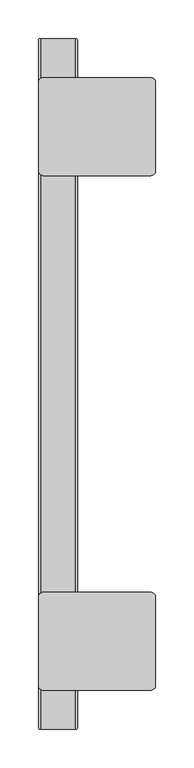
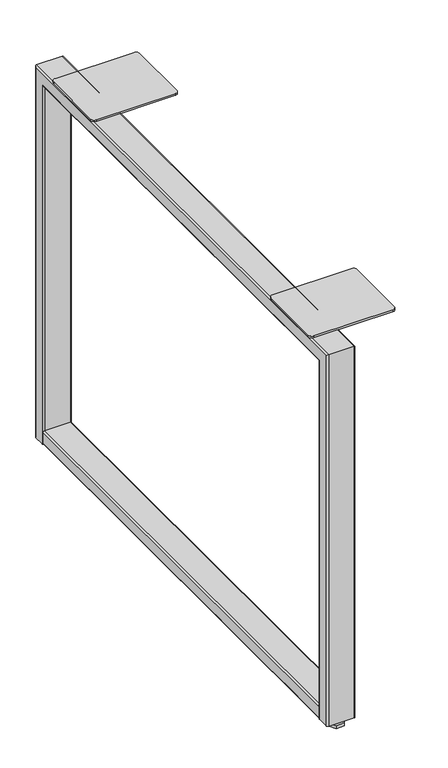
"""IFC4 building model written with IfcOpenShell, lengths in millimetres: furniture geometry."""

import ifcopenshell
import ifcopenshell.guid

model = None  # the IFC model being written
_history = None  # IfcOwnerHistory: only IFC2X3 demands one
_inside = {}  # id of a spatial element -> (the spatial element, [elements in it])
_under = {}  # id of a project, library or spatial element -> (it, [spatial elements below it])
_declared = {}  # id of a project -> (the project, [libraries it declares])
_typed = {}  # id of a type object -> (the type object, [elements of that type])
_made_of = {}  # id of a material, layer set ... -> (it, [elements and type objects made of it])


def new_model(schema):
    """Start an empty IFC model of exactly this schema.

    Asked for "IFC4X3", IfcOpenShell would pick the latest addendum, in which some entities
    have other attributes; the version numbers below select the first issue.
    IFC2X3 requires an IfcOwnerHistory on every rooted entity: one is made here for all.
    """
    global model, _history
    if schema == "IFC4X3":
        model = ifcopenshell.file(schema_version=(4, 3, 0, 0))
    else:
        model = ifcopenshell.file(schema=schema)
    _inside.clear()
    _under.clear()
    _declared.clear()
    _typed.clear()
    _made_of.clear()
    _history = None
    if model.schema == "IFC2X3":
        org = make("IfcOrganization", Name="unknown")
        user = make(
            "IfcPersonAndOrganization",
            ThePerson=make("IfcPerson", FamilyName="unknown"),
            TheOrganization=org,
        )
        app = make(
            "IfcApplication",
            ApplicationDeveloper=org,
            Version="unknown",
            ApplicationFullName="unknown",
            ApplicationIdentifier="unknown",
        )
        _history = make(
            "IfcOwnerHistory",
            OwningUser=user,
            OwningApplication=app,
            ChangeAction="ADDED",
            CreationDate=0,
        )
    return model


def make(cls, **values):
    """One entity of the class cls with the attributes given. An attribute that is None is left unset."""
    return model.create_entity(
        cls, **{name: value for name, value in values.items() if value is not None}
    )


def rooted(cls, **values):
    """An entity with a GlobalId (a new one), such as an element, a storey or a relation."""
    return make(cls, GlobalId=ifcopenshell.guid.new(), OwnerHistory=_history, **values)


def si_unit(unit_type, name, prefix=None):
    """IfcSIUnit, for example si_unit("LENGTHUNIT", "METRE", prefix="MILLI")."""
    return make("IfcSIUnit", UnitType=unit_type, Prefix=prefix, Name=name)


def assignment(units):
    """IfcUnitAssignment: the units of a project."""
    return None if units is None else make("IfcUnitAssignment", Units=units)


def point(xyz):
    """IfcCartesianPoint."""
    return None if xyz is None else make("IfcCartesianPoint", Coordinates=xyz)


def direction(xyz):
    """IfcDirection."""
    return None if xyz is None else make("IfcDirection", DirectionRatios=xyz)


def frame(location, z_axis=None, x_axis=None):
    """IfcAxis2Placement3D, a coordinate frame: its origin and axes. An axis left out is left unset."""
    return make(
        "IfcAxis2Placement3D",
        Location=point(location),
        Axis=direction(z_axis),
        RefDirection=direction(x_axis),
    )


def frame_2d(location, x_axis=None):
    """IfcAxis2Placement2D, a coordinate frame in the plane: its origin and x axis."""
    return make(
        "IfcAxis2Placement2D", Location=point(location), RefDirection=direction(x_axis)
    )


def origin():
    """The frame at (0, 0, 0) with its axes left unset."""
    return frame((0.0, 0.0, 0.0))


def origin_with_axes():
    """The frame at (0, 0, 0) with the z axis (0, 0, 1) and the x axis (1, 0, 0) written out."""
    return frame((0.0, 0.0, 0.0), z_axis=(0.0, 0.0, 1.0), x_axis=(1.0, 0.0, 0.0))


def place(relative_to, where):
    """IfcLocalPlacement: puts the frame where relative to a parent placement (None: the world)."""
    return make(
        "IfcLocalPlacement", PlacementRelTo=relative_to, RelativePlacement=where
    )


def context(
    kind, dimensions, precision=None, world=None, true_north=None, identifier=None
):
    """IfcGeometricRepresentationContext, for example the 3D "Model" context."""
    return make(
        "IfcGeometricRepresentationContext",
        ContextIdentifier=identifier,
        ContextType=kind,
        CoordinateSpaceDimension=dimensions,
        Precision=precision,
        WorldCoordinateSystem=world,
        TrueNorth=true_north,
    )


def project(units=None, contexts=None):
    """IfcProject with its units and contexts."""
    return rooted(
        "IfcProject",
        Name="project",
        RepresentationContexts=contexts,
        UnitsInContext=assignment(units),
    )


def spatial(cls, under=None, at=None, **own):
    """A site, building, storey or space (cls), placed at a placement, below another one or the project."""
    s = rooted(cls, ObjectPlacement=at, **own)
    if under is not None:
        _under.setdefault(under.id(), (under, []))[1].append(s)
    return s


def polyline(points):
    """IfcPolyline through the points."""
    return make("IfcPolyline", Points=[point(p) for p in points])


def circle_curve(where, radius):
    """IfcCircle in the frame where."""
    return make("IfcCircle", Position=where, Radius=radius)


def ellipse_curve(where, semi_axis1, semi_axis2):
    """IfcEllipse in the frame where."""
    return make(
        "IfcEllipse", Position=where, SemiAxis1=semi_axis1, SemiAxis2=semi_axis2
    )


def trimmed(basis, trim1, trim2, sense, master):
    """IfcTrimmedCurve: the piece of a basis curve between two trims."""
    return make(
        "IfcTrimmedCurve",
        BasisCurve=basis,
        Trim1=trim1,
        Trim2=trim2,
        SenseAgreement=sense,
        MasterRepresentation=master,
    )


def segment(curve, same_sense, transition):
    """IfcCompositeCurveSegment."""
    return make(
        "IfcCompositeCurveSegment",
        Transition=transition,
        SameSense=same_sense,
        ParentCurve=curve,
    )


def composite_curve(segments, self_intersect=None):
    """IfcCompositeCurve: segments joined end to end."""
    return make("IfcCompositeCurve", Segments=segments, SelfIntersect=self_intersect)


def outline(outer, holes=None, kind="AREA"):
    """IfcArbitraryClosedProfileDef: a profile drawn as a closed curve; with holes, ...WithVoids."""
    if holes is None:
        return make("IfcArbitraryClosedProfileDef", ProfileType=kind, OuterCurve=outer)
    return make(
        "IfcArbitraryProfileDefWithVoids",
        ProfileType=kind,
        OuterCurve=outer,
        InnerCurves=holes,
    )


def extrude(swept, where, along, depth):
    """IfcExtrudedAreaSolid: the profile swept, set in the frame where, extruded along a direction by depth."""
    return make(
        "IfcExtrudedAreaSolid",
        SweptArea=swept,
        Position=where,
        ExtrudedDirection=direction(along),
        Depth=depth,
    )


def shape(context_of_items, identifier, shape_type, items):
    """IfcShapeRepresentation: the items that make up one representation, for example the "Body"."""
    return make(
        "IfcShapeRepresentation",
        ContextOfItems=context_of_items,
        RepresentationIdentifier=identifier,
        RepresentationType=shape_type,
        Items=items,
    )


def source(mapping_origin, context_of_items, identifier, shape_type, items):
    """IfcRepresentationMap: a shape defined once, which mapped items show again and again."""
    return make(
        "IfcRepresentationMap",
        MappingOrigin=mapping_origin,
        MappedRepresentation=shape(context_of_items, identifier, shape_type, items),
    )


def transform(
    local_origin,
    x_axis=None,
    y_axis=None,
    z_axis=None,
    scale=None,
    scale2=None,
    scale3=None,
    uniform=True,
):
    """IfcCartesianTransformationOperator3D, or its non-uniform kind. x_axis, y_axis, z_axis: its Axis1, 2, 3."""
    if uniform:
        return make(
            "IfcCartesianTransformationOperator3D",
            Axis1=direction(x_axis),
            Axis2=direction(y_axis),
            LocalOrigin=point(local_origin),
            Scale=scale,
            Axis3=direction(z_axis),
        )
    return make(
        "IfcCartesianTransformationOperator3DnonUniform",
        Axis1=direction(x_axis),
        Axis2=direction(y_axis),
        LocalOrigin=point(local_origin),
        Scale=scale,
        Axis3=direction(z_axis),
        Scale2=scale2,
        Scale3=scale3,
    )


def mapped(mapping_source, mapping_target):
    """IfcMappedItem: shows the shape of a source again, moved by a transform."""
    return make(
        "IfcMappedItem", MappingSource=mapping_source, MappingTarget=mapping_target
    )


def made_of(thing, what):
    """Note that an element or type object is made of a material, layer set ...; save() writes the relation."""
    if what is not None:
        _made_of.setdefault(what.id(), (what, []))[1].append(thing)
    return thing


def element(
    cls,
    number,
    at=None,
    inside=None,
    cuts=None,
    type_object=None,
    material=None,
    context=None,
    identifier="Body",
    shape_type=None,
    held_by="IfcProductDefinitionShape",
    body=None,
    shapes=None,
    **own,
):
    """One element of the class cls, such as IfcWall. Its Tag is "e" and its number.

    at: its placement. inside: the storey or other place that contains it. cuts: it is an
    opening in that element (IfcRelVoidsElement). A single representation is given by context,
    identifier, shape_type and body (its items); several are given by shapes. held_by: the class
    of the entity that holds the representations. save() writes the other relations.
    """
    e = rooted(cls, Tag="e%d" % number, ObjectPlacement=at, **own)
    if body is not None:
        shapes = [shape(context, identifier, shape_type, body)]
    if shapes is not None:
        e.Representation = make(held_by, Representations=shapes)
    if inside is not None:
        _inside.setdefault(inside.id(), (inside, []))[1].append(e)
    if cuts is not None:
        rooted(
            "IfcRelVoidsElement", RelatingBuildingElement=cuts, RelatedOpeningElement=e
        )
    if type_object is not None:
        _typed.setdefault(type_object.id(), (type_object, []))[1].append(e)
    return made_of(e, material)


def aggregate(whole, parts):
    """IfcRelAggregates: a whole, such as a stair, and the parts it consists of."""
    return rooted("IfcRelAggregates", RelatingObject=whole, RelatedObjects=parts)


def save(model, path):
    """Write the relations noted so far, then the file.

    IfcRelAggregates (storeys below a building ...), IfcRelContainedInSpatialStructure (elements
    in a storey), IfcRelDefinesByType, IfcRelAssociatesMaterial and IfcRelDeclares: one each for
    every whole, place, type object, material and project.
    """
    for whole, parts in _under.values():
        aggregate(whole, parts)
    for where, things in _inside.values():
        rooted(
            "IfcRelContainedInSpatialStructure",
            RelatedElements=things,
            RelatingStructure=where,
        )
    for kind, things in _typed.values():
        rooted("IfcRelDefinesByType", RelatedObjects=things, RelatingType=kind)
    for what, things in _made_of.values():
        rooted("IfcRelAssociatesMaterial", RelatedObjects=things, RelatingMaterial=what)
    for by, libraries in _declared.values():
        rooted("IfcRelDeclares", RelatingContext=by, RelatedDefinitions=libraries)
    model.write(path)


def plane_surface(at):
    """IfcPlane: the flat surface through the origin of the frame at, square to its z axis."""
    return make("IfcPlane", Position=at)


def cylinder_surface(at, radius):
    """IfcCylindricalSurface: all points at the distance radius from the z axis of the frame at."""
    return make("IfcCylindricalSurface", Position=at, Radius=radius)


def advanced_brep(points, edges, surfaces, faces):
    """IfcAdvancedBrep: a solid bounded by faces that lie on surfaces and meet in shared edges.

    An edge is (start, end): straight between two places in points (the first is 0);
    or (start, end, curve); or (start, end, curve, False) where it runs against its curve.
    A face is (place in surfaces, loops), or (place, loops, False) where it looks against
    its surface's normal. A loop lists edges by number (the first is 1), with a minus sign
    where the edge is run from its end to its start. The first loop is the outer one.
    """
    corners = [point(p) for p in points]
    vertices = [make("IfcVertexPoint", VertexGeometry=c) for c in corners]
    made = []
    for start, end, *more in edges:
        made.append(
            make(
                "IfcEdgeCurve",
                EdgeStart=vertices[start],
                EdgeEnd=vertices[end],
                EdgeGeometry=more[0] if more else make("IfcPolyline", Points=[corners[start], corners[end]]),
                SameSense=more[1] if len(more) > 1 else True,
            )
        )
    hull = []
    for where, loops, *sense in faces:
        bounds = []
        for j, loop in enumerate(loops):
            ring = [make("IfcOrientedEdge", EdgeElement=made[abs(k) - 1], Orientation=k > 0) for k in loop]
            bounds.append(
                make(
                    "IfcFaceOuterBound" if j == 0 else "IfcFaceBound",
                    Bound=make("IfcEdgeLoop", EdgeList=ring),
                    Orientation=True,
                )
            )
        hull.append(make("IfcAdvancedFace", Bounds=bounds, FaceSurface=surfaces[where], SameSense=sense[0] if sense else True))
    return make("IfcAdvancedBrep", Outer=make("IfcClosedShell", CfsFaces=hull))


def furniture_0c5271f9(model_context):
    return source(origin(), model_context, "Body", "SolidModel", [
        extrude(outline(polyline([(58.133262, -867.9386294), (65.4665239, -880.6402117), (58.133262, -893.341794), (43.466738, -893.341794), (36.1334761, -880.6402117), (43.466738, -867.9386294), (58.133262, -867.9386294)])), origin_with_axes(), (0.0, 0.0, 1.0), 5.5879998),
        extrude(outline(polyline([(58.1323494, -3.3273875), (65.4646988, -16.0273893), (58.1323494, -28.727391), (43.4676506, -28.727391), (36.1353012, -16.0273893), (43.4676506, -3.3273875), (58.1323494, -3.3273875)])), origin_with_axes(), (0.0, 0.0, 1.0), 5.5879998),
        extrude(outline(polyline([(53.1821655, -11.9013575), (55.5643311, -16.0273893), (53.1821655, -20.153421), (48.4178345, -20.153421), (46.0356689, -16.0273893), (48.4178345, -11.9013575), (53.1821655, -11.9013575)])), origin_with_axes(), (0.0, 0.0, 1.0), 68.199153),
        extrude(outline(polyline([(53.1812504, -876.5157651), (55.5625008, -880.6402117), (53.1812504, -884.7646584), (48.4187496, -884.7646584), (46.0374992, -880.6402117), (48.4187496, -876.5157651), (53.1812504, -876.5157651)])), origin_with_axes(), (0.0, 0.0, 1.0), 68.199153),
        extrude(outline(composite_curve([segment(polyline([(37.2236999, 73.4314001), (37.2236999, 28.1685992)]), True, "CONTINUOUS"), segment(trimmed(circle_curve(frame_2d((34.4551008, 28.1685992)), 2.7685992), [point((37.2236999, 28.1685992))], [point((34.4551008, 25.4))], False, "CARTESIAN"), True, "CONTINUOUS"), segment(polyline([(34.4551008, 25.4), (14.5922995, 25.4)]), True, "CONTINUOUS"), segment(trimmed(circle_curve(frame_2d((14.5922995, 28.1685992)), 2.7685992), [point((14.5922995, 25.4))], [point((11.8237003, 28.1685992))], False, "CARTESIAN"), True, "CONTINUOUS"), segment(polyline([(11.8237003, 28.1685992), (11.8237003, 73.431432)]), True, "CONTINUOUS"), segment(trimmed(circle_curve(frame_2d((14.5922684, 73.431432)), 2.768568), [point((11.8237003, 73.431432))], [point((14.5922684, 76.2))], False, "CARTESIAN"), True, "CONTINUOUS"), segment(polyline([(14.5922684, 76.2), (34.4551, 76.2)]), True, "CONTINUOUS"), segment(trimmed(circle_curve(frame_2d((34.4551, 73.4314001)), 2.7685999), [point((34.4551, 76.2))], [point((37.2236999, 73.4314001))], False, "CARTESIAN"), True, "CONTINUOUS")], self_intersect=False)), frame((0.0, -870.9914, 0.0), z_axis=(0.0, 1.0, 0.0), x_axis=(0.0, 0.0, 1.0)), (0.0, 0.0, 1.0), 845.312),
        advanced_brep(
        [(28.1685901, -896.6454, 11.8237003), (25.4, -893.8768099, 11.8237003), (25.4, -874.0140098, 11.8237003), (28.1686105, -871.2453992, 11.8237003), (73.4314046, -871.2453992, 11.8237003), (76.1999992, -874.0139939, 11.8237003), (76.2000083, -893.8768236, 11.8237003), (73.431432, -896.6454, 11.8237003), (28.1685901, -896.6454, 707.7956896), (25.4, -893.8768099, 705.0270995), (25.4, -2.7939901, 705.0270995), (25.4, -2.7939901, 11.8237003), (25.4, -22.6567902, 11.8237003), (25.4, -22.6567902, 685.1642994), (25.4, -874.0140098, 685.1642994), (28.1686105, -871.2453992, 682.3956889), (73.4314046, -871.2453992, 682.3956889), (76.1999992, -874.0139939, 685.1642835), (76.2000083, -22.6567993, 685.1642903), (76.2000083, -22.6567993, 11.8237003), (76.2000083, -2.7939764, 11.8237003), (76.2000083, -2.7939764, 705.0271132), (76.2000083, -893.8768236, 705.0271132), (73.431432, -896.6454, 707.7956896), (28.1685901, -0.0254, 707.7956896), (28.1686105, -25.4254008, 682.3956889), (73.4314046, -25.4254008, 682.3956889), (73.431432, -0.0254, 707.7956896), (28.1685901, -0.0254, 11.8237003), (73.431432, -0.0254, 11.8237003), (73.4314046, -25.4254008, 11.8237003), (28.1686105, -25.4254008, 11.8237003)],
        [
            (0, 1, circle_curve(frame((28.1685901, -893.8768099, 11.8237003), z_axis=(0.0, 0.0, -1.0), x_axis=(1.0, 0.0, 0.0)), 2.7685901)),
            (1, 2),
            (2, 3, circle_curve(frame((28.1686105, -874.0140098, 11.8237003), z_axis=(0.0, 0.0, -1.0), x_axis=(1.0, 0.0, 0.0)), 2.7686105)),
            (3, 4),
            (4, 5, circle_curve(frame((73.4314046, -874.0139939, 11.8237003), z_axis=(0.0, 0.0, -1.0), x_axis=(1.0, 0.0, 0.0)), 2.7685946)),
            (5, 6),
            (6, 7, circle_curve(frame((73.431432, -893.8768236, 11.8237003), z_axis=(0.0, 0.0, -1.0), x_axis=(1.0, 0.0, 0.0)), 2.7685764)),
            (7, 0),
            (0, 8),
            (8, 9, ellipse_curve(frame((28.1685901, -893.8768099, 705.0270995), z_axis=(0.0, -0.7071067811865476, -0.7071067811865475), x_axis=(0.0, 0.7071067811865474, -0.7071067811865476)), 3.9153777, 2.7685901)),
            (9, 1),
            (9, 10),
            (10, 11),
            (11, 12),
            (12, 13),
            (13, 14),
            (14, 2),
            (14, 15, ellipse_curve(frame((28.1686105, -874.0140098, 685.1642994), z_axis=(0.0, -0.7071067811865476, -0.7071067811865475), x_axis=(0.0, 0.7071067811865474, -0.7071067811865476)), 3.9154066, 2.7686105)),
            (15, 3),
            (15, 16),
            (16, 4),
            (16, 17, ellipse_curve(frame((73.4314046, -874.0139939, 685.1642835), z_axis=(0.0, -0.7071067811865476, -0.7071067811865475), x_axis=(0.0, 0.7071067811865474, -0.7071067811865476)), 3.9153841, 2.7685946)),
            (17, 5),
            (17, 18),
            (18, 19),
            (19, 20),
            (20, 21),
            (21, 22),
            (22, 6),
            (22, 23, ellipse_curve(frame((73.431432, -893.8768236, 705.0271132), z_axis=(0.0, -0.7071067811865476, -0.7071067811865475), x_axis=(0.0, 0.7071067811865474, -0.7071067811865476)), 3.9153583, 2.7685764)),
            (23, 7),
            (23, 8),
            (8, 24),
            (24, 10, ellipse_curve(frame((28.1685901, -2.7939901, 705.0270995), z_axis=(0.0, -0.7071067811865649, 0.70710678118653), x_axis=(0.0, -0.7071067811865303, -0.7071067811865648)), 3.9153777, 2.7685901)),
            (13, 25, ellipse_curve(frame((28.1686105, -22.6567902, 685.1642994), z_axis=(0.0, -0.7071067811865649, 0.70710678118653), x_axis=(0.0, -0.7071067811865303, -0.7071067811865648)), 3.9154066, 2.7686105)),
            (25, 15),
            (25, 26),
            (26, 16),
            (26, 18, ellipse_curve(frame((73.4314046, -22.6568061, 685.1642835), z_axis=(0.0, -0.7071067811865649, 0.70710678118653), x_axis=(0.0, -0.7071067811865303, -0.7071067811865648)), 3.9153841, 2.7685946)),
            (21, 27, ellipse_curve(frame((73.431432, -2.7939764, 705.0271132), z_axis=(0.0, -0.7071067811865649, 0.70710678118653), x_axis=(0.0, -0.7071067811865303, -0.7071067811865648)), 3.9153583, 2.7685764)),
            (27, 23),
            (27, 24),
            (28, 29),
            (29, 20, circle_curve(frame((73.431432, -2.7939764, 11.8237003), z_axis=(0.0, 0.0, -1.0), x_axis=(1.0, 0.0, 0.0)), 2.7685764)),
            (19, 30, circle_curve(frame((73.4314046, -22.6568061, 11.8237003), z_axis=(0.0, 0.0, -1.0), x_axis=(1.0, 0.0, 0.0)), 2.7685946)),
            (30, 31),
            (31, 12, circle_curve(frame((28.1686105, -22.6567902, 11.8237003), z_axis=(0.0, 0.0, -1.0), x_axis=(1.0, 0.0, 0.0)), 2.7686105)),
            (11, 28, circle_curve(frame((28.1685901, -2.7939901, 11.8237003), z_axis=(0.0, 0.0, -1.0), x_axis=(1.0, 0.0, 0.0)), 2.7685901)),
            (24, 28),
            (31, 25),
            (30, 26),
            (29, 27),
        ],
        [
            plane_surface(frame((25.4, -896.6454, 11.8237003), z_axis=(0.0, 0.0, -1.0), x_axis=(1.0, 0.0, 0.0))),
            cylinder_surface(frame((28.1685901, -893.8768099, 11.8237003), z_axis=(0.0, 0.0, -1.0), x_axis=(1.0, 0.0, 0.0)), 2.7685901),
            plane_surface(frame((25.4, -893.8768099, 11.8237003), z_axis=(-1.0, 0.0, 0.0), x_axis=(0.0, 0.0, 1.0))),
            cylinder_surface(frame((28.1686105, -874.0140098, 11.8237003), z_axis=(0.0, 0.0, -1.0), x_axis=(1.0, 0.0, 0.0)), 2.7686105),
            plane_surface(frame((28.1686105, -871.2453992, 11.8237003), z_axis=(0.0, 1.0, 0.0), x_axis=(0.0, 0.0, 1.0))),
            cylinder_surface(frame((73.4314046, -874.0139939, 11.8237003), z_axis=(0.0, 0.0, -1.0), x_axis=(1.0, 0.0, 0.0)), 2.7685946),
            plane_surface(frame((76.2000083, -874.0140007, 11.8237003), z_axis=(1.0, 0.0, 0.0), x_axis=(0.0, 0.0, 1.0))),
            cylinder_surface(frame((73.431432, -893.8768236, 11.8237003), z_axis=(0.0, 0.0, -1.0), x_axis=(1.0, 0.0, 0.0)), 2.7685764),
            plane_surface(frame((73.431432, -896.6454, 11.8237003), z_axis=(0.0, -1.0, 0.0), x_axis=(0.0, 0.0, 1.0))),
            cylinder_surface(frame((28.1685901, -896.6454, 705.0270995), z_axis=(0.0, -1.0, 0.0), x_axis=(1.0, 0.0, 0.0)), 2.7685901),
            cylinder_surface(frame((28.1686105, -896.6454, 685.1642994), z_axis=(0.0, -1.0, 0.0), x_axis=(1.0, 0.0, 0.0)), 2.7686105),
            plane_surface(frame((28.1686105, -871.2453992, 682.3956889), z_axis=(0.0, 0.0, -1.0), x_axis=(0.0, 1.0, 0.0))),
            cylinder_surface(frame((73.4314046, -896.6454, 685.1642835), z_axis=(0.0, -1.0, 0.0), x_axis=(1.0, 0.0, 0.0)), 2.7685946),
            cylinder_surface(frame((73.431432, -896.6454, 705.0271132), z_axis=(0.0, -1.0, 0.0), x_axis=(1.0, 0.0, 0.0)), 2.7685764),
            plane_surface(frame((73.431432, -896.6454, 707.7956896), z_axis=(0.0, 0.0, 1.0), x_axis=(0.0, 1.0, 0.0))),
            plane_surface(frame((25.4, -0.0254, 11.8237003), z_axis=(0.0, 0.0, -1.0), x_axis=(1.0, 0.0, 0.0))),
            cylinder_surface(frame((28.1685901, -2.7939901, 707.7956896), z_axis=(0.0, 0.0, 1.0), x_axis=(1.0, 0.0, 0.0)), 2.7685901),
            cylinder_surface(frame((28.1686105, -22.6567902, 707.7956896), z_axis=(0.0, 0.0, 1.0), x_axis=(1.0, 0.0, 0.0)), 2.7686105),
            plane_surface(frame((28.1686105, -25.4254008, 682.3956889), z_axis=(0.0, -1.0, 0.0), x_axis=(0.0, 0.0, -1.0))),
            cylinder_surface(frame((73.4314046, -22.6568061, 707.7956896), z_axis=(0.0, 0.0, 1.0), x_axis=(1.0, 0.0, 0.0)), 2.7685946),
            cylinder_surface(frame((73.431432, -2.7939764, 707.7956896), z_axis=(0.0, 0.0, 1.0), x_axis=(1.0, 0.0, 0.0)), 2.7685764),
            plane_surface(frame((73.431432, -0.0254, 707.7956896), z_axis=(0.0, 1.0, 0.0), x_axis=(0.0, 0.0, -1.0))),
        ],
        [
            (0, [[1, 2, 3, 4, 5, 6, 7, 8]]),
            (1, [[-1, 9, 10, 11]]),
            (2, [[-2, -11, 12, 13, 14, 15, 16, 17]]),
            (3, [[-3, -17, 18, 19]]),
            (4, [[-4, -19, 20, 21]]),
            (5, [[-5, -21, 22, 23]]),
            (6, [[-6, -23, 24, 25, 26, 27, 28, 29]]),
            (7, [[-7, -29, 30, 31]]),
            (8, [[-8, -31, 32, -9]]),
            (9, [[-10, 33, 34, -12]]),
            (10, [[-18, -16, 35, 36]]),
            (11, [[-20, -36, 37, 38]]),
            (12, [[-22, -38, 39, -24]]),
            (13, [[-30, -28, 40, 41]]),
            (14, [[-32, -41, 42, -33]]),
            (15, [[43, 44, -26, 45, 46, 47, -14, 48]]),
            (16, [[-34, 49, -48, -13]]),
            (17, [[-35, -15, -47, 50]]),
            (18, [[-37, -50, -46, 51]]),
            (19, [[-39, -51, -45, -25]]),
            (20, [[-40, -27, -44, 52]]),
            (21, [[-42, -52, -43, -49]]),
        ],
    ),
        extrude(outline(composite_curve([segment(polyline([(25.4, -839.5271767), (25.4, -725.1636735)]), True, "CONTINUOUS"), segment(trimmed(circle_curve(frame_2d((31.7182735, -725.1636735)), 6.3182735), [point((25.4, -725.1636735))], [point((31.7182735, -718.8454))], False, "CARTESIAN"), True, "CONTINUOUS"), segment(polyline([(31.7182735, -718.8454), (171.4182061, -718.8454)]), True, "CONTINUOUS"), segment(trimmed(circle_curve(frame_2d((171.4182061, -725.1953758)), 6.3499758), [point((171.4182061, -718.8454))], [point((177.7681819, -725.1953758))], False, "CARTESIAN"), True, "CONTINUOUS"), segment(polyline([(177.7681819, -725.1953758), (177.7681819, -839.4954426)]), True, "CONTINUOUS"), segment(trimmed(circle_curve(frame_2d((171.4182245, -839.4954426)), 6.3499574), [point((177.7681819, -839.4954426))], [point((171.4182245, -845.8454))], False, "CARTESIAN"), True, "CONTINUOUS"), segment(polyline([(171.4182245, -845.8454), (31.7182233, -845.8454)]), True, "CONTINUOUS"), segment(trimmed(circle_curve(frame_2d((31.7182233, -839.5271767)), 6.3182233), [point((31.7182233, -845.8454))], [point((25.4, -839.5271767))], False, "CARTESIAN"), True, "CONTINUOUS")], self_intersect=False)), frame((0.0, 0.0, 707.7956896), z_axis=(0.0, 0.0, 1.0), x_axis=(1.0, 0.0, 0.0)), (0.0, 0.0, 1.0), 3.4036),
        extrude(outline(composite_curve([segment(polyline([(25.4, -172.110312), (25.4, -57.1435288)]), True, "CONTINUOUS"), segment(trimmed(circle_curve(frame_2d((31.7181273, -57.1435288)), 6.3181273), [point((25.4, -57.1435288))], [point((31.7181273, -50.8254015))], False, "CARTESIAN"), True, "CONTINUOUS"), segment(polyline([(31.7181273, -50.8254015), (171.4182297, -50.8254015)]), True, "CONTINUOUS"), segment(trimmed(circle_curve(frame_2d((171.4182297, -57.1753537)), 6.3499522), [point((171.4182297, -50.8254015))], [point((177.7681819, -57.1753537))], False, "CARTESIAN"), True, "CONTINUOUS"), segment(polyline([(177.7681819, -57.1753537), (177.7681819, -171.4754818)]), True, "CONTINUOUS"), segment(trimmed(circle_curve(frame_2d((171.4182697, -171.4754818)), 6.3499122), [point((177.7681819, -171.4754818))], [point((171.4182697, -177.8253939))], False, "CARTESIAN"), True, "CONTINUOUS"), segment(polyline([(171.4182697, -177.8253939), (31.7181781, -177.8253939)]), True, "CONTINUOUS"), segment(trimmed(circle_curve(frame_2d((31.7181781, -171.4753943)), 6.3499996), [point((31.7181781, -177.8253939))], [point((25.4, -172.110312))], False, "CARTESIAN"), True, "CONTINUOUS")], self_intersect=False)), frame((0.0, 0.0, 707.7956896), z_axis=(0.0, 0.0, 1.0), x_axis=(1.0, 0.0, 0.0)), (0.0, 0.0, 1.0), 3.4036),
    ])


if __name__ == "__main__":
    model = new_model("IFC4")
    model_context = context("Model", 3, world=origin())
    ifc_project = project(units=[si_unit("LENGTHUNIT", "METRE", prefix="MILLI")], contexts=[model_context])
    site = spatial("IfcSite", under=ifc_project)
    building = spatial("IfcBuilding", under=site)
    placement = place(None, origin())
    furniture_shape = furniture_0c5271f9(model_context)
    element("IfcFurniture", 1, at=placement, inside=building, context=model_context, shape_type="MappedRepresentation", body=[
        mapped(furniture_shape, transform((0.0, 0.0, 0.0), x_axis=(1.0, 0.0, 0.0), y_axis=(0.0, 1.0, 0.0), z_axis=(0.0, 0.0, 1.0))),
    ])
    save(model, "model.ifc")
